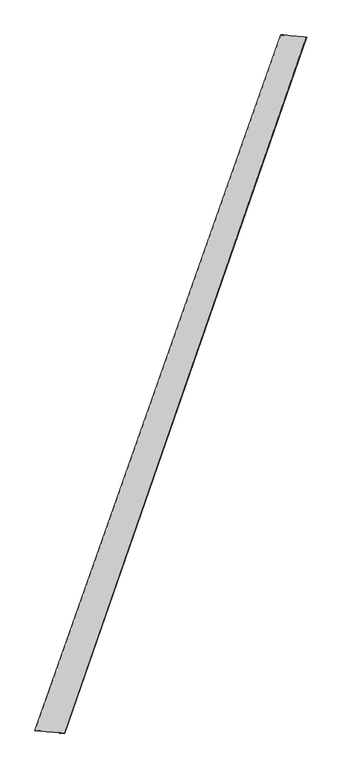
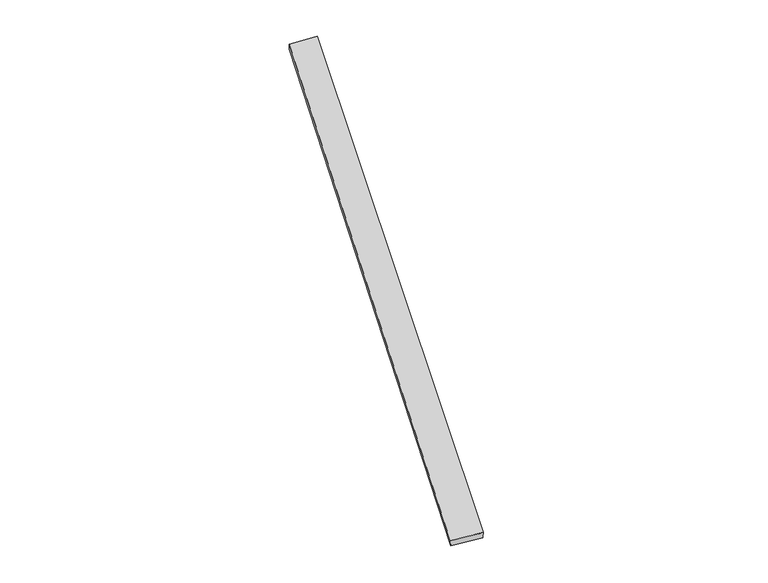
"""IFC4 building model written with IfcOpenShell, lengths in millimetres: proxy geometry."""

from ifc_helpers import new_model, si_unit, origin, place, context, project, spatial, source, transform, mapped, element, save
from ifc_brep_helpers import spline_surface, advanced_brep


def generic_models_7c5d3687(model_context):
    return source(origin(), model_context, "Body", "AdvancedBrep", [
        advanced_brep(
        [(-717.26329, -1817.0670013, 1.2797662), (-717.4423815, -1816.9832247, 31.2791146), (706.6383601, 2210.6300299, 28.5174354), (705.9038806, 2210.8690463, -1.4726198), (-543.3093484, -1831.5170262, 28.6991214), (853.9324751, 2197.9299174, 31.4142351), (-544.3536236, -1831.1336051, -1.2802461), (855.713033, 2197.3315602, 1.4730998)],
        [
            (0, 1),
            (1, 2),
            (2, 3),
            (3, 0),
            (1, 4),
            (4, 5),
            (5, 2),
            (4, 6),
            (6, 7),
            (7, 5),
            (6, 0),
            (3, 7),
        ],
        [
            spline_surface(1, 1, [[(-717.26329, -1817.0670013, 1.2797662), (705.9038806, 2210.8690463, -1.4726198)], [(-717.4423815, -1816.9832247, 31.2791146), (706.6383601, 2210.6300299, 28.5174354)]], [2, 2], [2, 2], [0.0, 1.0], [0.0, 1.0]),
            spline_surface(1, 1, [[(-717.4423815, -1816.9832247, 31.2791146), (706.6383601, 2210.6300299, 28.5174354)], [(-543.3093484, -1831.5170262, 28.6991214), (853.9324751, 2197.9299174, 31.4142351)]], [2, 2], [2, 2], [0.0, 1.0], [0.0, 1.0]),
            spline_surface(1, 1, [[(-543.3093484, -1831.5170262, 28.6991214), (853.9324751, 2197.9299174, 31.4142351)], [(-544.3536236, -1831.1336051, -1.2802461), (855.713033, 2197.3315602, 1.4730998)]], [2, 2], [2, 2], [0.0, 1.0], [0.0, 1.0]),
            spline_surface(1, 1, [[(-544.3536236, -1831.1336051, -1.2802461), (855.713033, 2197.3315602, 1.4730998)], [(-717.26329, -1817.0670013, 1.2797662), (705.9038806, 2210.8690463, -1.4726198)]], [2, 2], [2, 2], [0.0, 1.0], [0.0, 1.0]),
            spline_surface(1, 1, [[(706.6383601, 2210.6300299, 28.5174354), (705.9038806, 2210.8690463, -1.4726198)], [(853.9324751, 2197.9299174, 31.4142351), (855.713033, 2197.3315602, 1.4730998)]], [2, 2], [2, 2], [0.0, 1.0], [0.0, 1.0]),
            spline_surface(1, 1, [[(-544.3536236, -1831.1336051, -1.2802461), (-717.26329, -1817.0670013, 1.2797662)], [(-543.3093484, -1831.5170262, 28.6991214), (-717.4423815, -1816.9832247, 31.2791146)]], [2, 2], [2, 2], [0.0, 1.0], [0.0, 1.0]),
        ],
        [
            (0, [[1, 2, 3, 4]]),
            (1, [[5, 6, 7, -2]]),
            (2, [[8, 9, 10, -6]]),
            (3, [[11, -4, 12, -9]]),
            (4, [[-3, -7, -10, -12]]),
            (5, [[-11, -8, -5, -1]]),
        ],
    ),
    ])


if __name__ == "__main__":
    model = new_model("IFC4")
    model_context = context("Model", 3, world=origin())
    ifc_project = project(units=[si_unit("LENGTHUNIT", "METRE", prefix="MILLI")], contexts=[model_context])
    site = spatial("IfcSite", under=ifc_project)
    building = spatial("IfcBuilding", under=site)
    placement = place(None, origin())
    generic_models_shape = generic_models_7c5d3687(model_context)
    element("IfcBuildingElementProxy", 1, Name="Generic Models", at=placement, inside=building, context=model_context, shape_type="MappedRepresentation", body=[
        mapped(generic_models_shape, transform((0.0, 0.0, 0.0), x_axis=(1.0, 0.0, 0.0), y_axis=(0.0, 1.0, 0.0), z_axis=(0.0, 0.0, 1.0))),
    ])
    save(model, "model.ifc")
